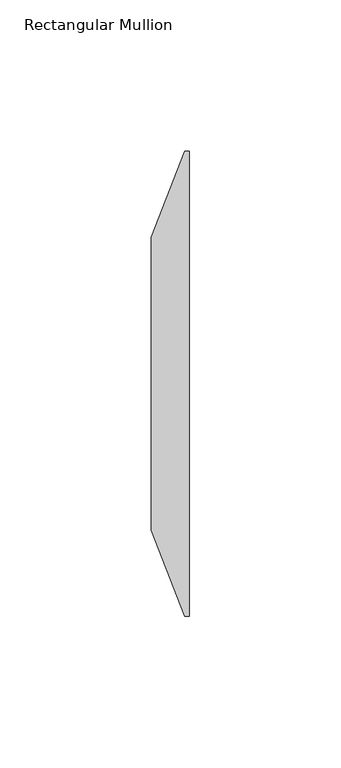
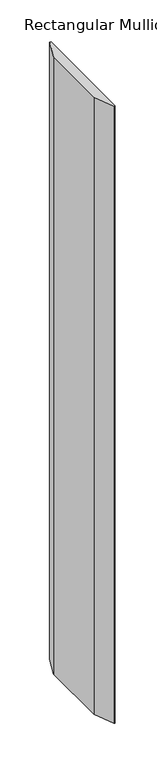
"""IFC4 building model written with IfcOpenShell, lengths in millimetres: member geometry, Rectangular Mullion."""

from ifc_helpers import new_model, si_unit, frame, origin, place, context, project, spatial, polyline, outline, extrude, source, transform, mapped, element, save


def rectangular_mullion_331e4008(model_context):
    return source(origin(), model_context, "Body", "SweptSolid", [
        extrude(outline(polyline([(0.0, -66.675), (-1.5875, -66.675), (-12.7, -38.1), (-12.7, 58.7375), (-1.5875, 87.3125), (0.0, 87.3125), (0.0, -66.675)])), frame((0.0, 0.0, -900.43), z_axis=(0.0, 0.0, 1.0), x_axis=(1.0, 0.0, 0.0)), (0.0, 0.0, 1.0), 900.43),
    ])


if __name__ == "__main__":
    model = new_model("IFC4")
    model_context = context("Model", 3, world=origin())
    ifc_project = project(units=[si_unit("LENGTHUNIT", "METRE", prefix="MILLI")], contexts=[model_context])
    site = spatial("IfcSite", under=ifc_project)
    building = spatial("IfcBuilding", under=site)
    placement = place(None, origin())
    rectangular_mullion_shape = rectangular_mullion_331e4008(model_context)
    element("IfcMember", 1, ObjectType="Rectangular Mullion", at=placement, inside=building, context=model_context, shape_type="MappedRepresentation", body=[
        mapped(rectangular_mullion_shape, transform((0.0, 0.0, 0.0), x_axis=(1.0, 0.0, 0.0), y_axis=(0.0, 1.0, 0.0), z_axis=(0.0, 0.0, 1.0))),
    ])
    save(model, "model.ifc")
